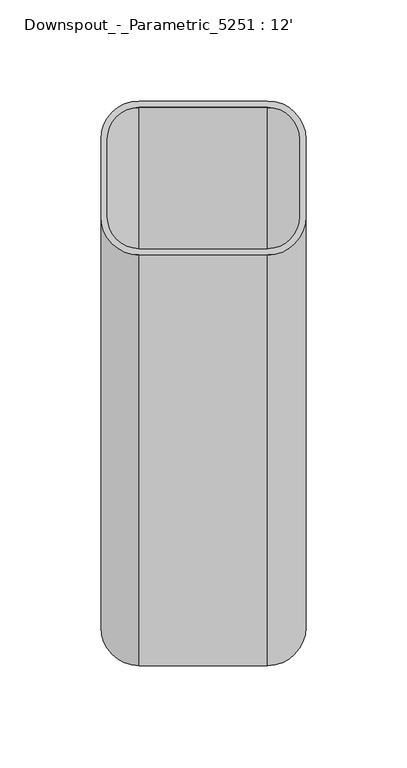
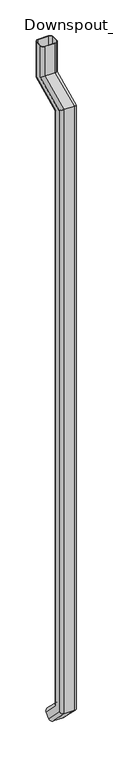
"""IFC4 building model written with IfcOpenShell, lengths in millimetres: proxy geometry, Downspout_-_Parametric_5251 : 12'."""

from ifc_helpers import new_model, si_unit, frame, origin, origin_with_axes, place, context, project, spatial, polyline, circle_curve, ellipse_curve, source, transform, mapped, element, save
from ifc_brep_helpers import plane_surface, cylinder_surface, revolved_surface, advanced_brep


def downspout_parametric_5251_12_2c0caeeb(model_context):
    return source(origin(), model_context, "Body", "AdvancedBrep", [
        advanced_brep(
        [(50.8, -19.05, 0.0), (50.8, 19.05, 0.0), (31.75, 38.1, 0.0), (-31.75, 38.1, 0.0), (-50.8, 19.05, 0.0), (-50.8, -19.05, 0.0), (-31.75, -38.1, 0.0), (31.75, -38.1, 0.0), (47.625, -19.05, 0.0), (31.75, -34.925, 0.0), (-31.75, -34.925, 0.0), (-47.625, -19.05, 0.0), (-47.625, 19.05, 0.0), (-31.75, 34.925, 0.0), (31.75, 34.925, 0.0), (47.625, 19.05, 0.0), (31.75, -38.1, -191.6029427), (50.8, -19.05, -203.7391312), (-31.75, -38.1, -191.6029427), (-50.8, -19.05, -203.7391312), (-50.8, 19.05, -228.0115081), (-50.8, -184.15, -322.7652243), (-50.8, -184.15, -4189.4592316), (-50.8, -81.9665424, -4291.6426893), (-50.8, -108.9073107, -4318.5834576), (-50.8, -222.25, -4205.2407684), (-50.8, -222.25, -298.4928473), (-31.75, 38.1, -240.1476966), (31.75, 38.1, -240.1476966), (50.8, 19.05, -228.0115081), (50.8, -222.25, -298.4928473), (50.8, -222.25, -4205.2407684), (50.8, -108.9073107, -4318.5834576), (50.8, -81.9665424, -4291.6426893), (50.8, -184.15, -4189.4592316), (50.8, -184.15, -322.7652243), (47.625, 19.05, -228.0115081), (47.625, -184.15, -322.7652243), (47.625, -184.15, -4189.4592316), (47.625, -81.9665424, -4291.6426893), (47.625, -108.9073107, -4318.5834576), (47.625, -222.25, -4205.2407684), (47.625, -222.25, -298.4928473), (47.625, -19.05, -203.7391312), (31.75, 34.925, -238.1249985), (-31.75, 34.925, -238.1249985), (-47.625, 19.05, -228.0115081), (-47.625, -19.05, -203.7391312), (-47.625, -222.25, -298.4928473), (-47.625, -222.25, -4205.2407684), (-47.625, -108.9073107, -4318.5834576), (-47.625, -81.9665424, -4291.6426893), (-47.625, -184.15, -4189.4592316), (-47.625, -184.15, -322.7652243), (-31.75, -34.925, -193.6256408), (31.75, -34.925, -193.6256408), (31.75, -241.3, -286.3566588), (-31.75, -241.3, -286.3566588), (-31.75, -165.1, -334.9014127), (31.75, -165.1, -334.9014127), (31.75, -168.275, -332.8787146), (-31.75, -168.275, -332.8787146), (-31.75, -238.125, -288.3793569), (31.75, -238.125, -288.3793569), (31.75, -122.3776949, -4332.0538418), (-31.75, -122.3776949, -4332.0538418), (-31.75, -68.4961582, -4278.1723051), (31.75, -68.4961582, -4278.1723051), (31.75, -70.7412222, -4280.4173691), (-31.75, -70.7412222, -4280.4173691), (-31.75, -120.1326309, -4329.8087778), (31.75, -120.1326309, -4329.8087778), (31.75, -241.3, -4213.1315367), (-31.75, -241.3, -4213.1315367), (-31.75, -165.1, -4181.5684633), (31.75, -165.1, -4181.5684633), (31.75, -168.275, -4182.8835913), (-31.75, -168.275, -4182.8835913), (-31.75, -238.125, -4211.8164087), (31.75, -238.125, -4211.8164087)],
        [
            (0, 1),
            (1, 2, circle_curve(frame((31.75, 19.05, 0.0), z_axis=(0.0, 0.0, 1.0), x_axis=(0.0, -1.0, 0.0)), 19.05)),
            (2, 3),
            (3, 4, circle_curve(frame((-31.75, 19.05, 0.0), z_axis=(0.0, 0.0, 1.0), x_axis=(0.0, -1.0, 0.0)), 19.05)),
            (4, 5),
            (5, 6, circle_curve(frame((-31.75, -19.05, 0.0), z_axis=(0.0, 0.0, 1.0), x_axis=(0.0, -1.0, 0.0)), 19.05)),
            (6, 7),
            (7, 0, circle_curve(frame((31.75, -19.05, 0.0), z_axis=(0.0, 0.0, 1.0), x_axis=(0.0, -1.0, 0.0)), 19.05)),
            (8, 9, circle_curve(frame((31.75, -19.05, 0.0), z_axis=(0.0, 0.0, -1.0), x_axis=(0.0, -1.0, 0.0)), 15.875)),
            (9, 10),
            (10, 11, circle_curve(frame((-31.75, -19.05, 0.0), z_axis=(0.0, 0.0, -1.0), x_axis=(0.0, -1.0, 0.0)), 15.875)),
            (11, 12),
            (12, 13, circle_curve(frame((-31.75, 19.05, 0.0), z_axis=(0.0, 0.0, -1.0), x_axis=(0.0, -1.0, 0.0)), 15.875)),
            (13, 14),
            (14, 15, circle_curve(frame((31.75, 19.05, 0.0), z_axis=(0.0, 0.0, -1.0), x_axis=(0.0, -1.0, 0.0)), 15.875)),
            (15, 8),
            (7, 16),
            (16, 17, ellipse_curve(frame((31.75, -19.05, -203.7391312), z_axis=(0.0, 0.5372996083468213, 0.8433914458128874), x_axis=(0.0, -0.8433914458128875, 0.5372996083468209)), 22.5873764, 19.05)),
            (17, 0),
            (6, 18),
            (18, 16),
            (5, 19),
            (19, 18, ellipse_curve(frame((-31.75, -19.05, -203.7391312), z_axis=(0.0, 0.5372996083468213, 0.8433914458128874), x_axis=(0.0, -0.8433914458128875, 0.5372996083468209)), 22.5873764, 19.05)),
            (4, 20),
            (20, 21),
            (21, 22),
            (22, 23),
            (23, 24),
            (24, 25),
            (25, 26),
            (26, 19),
            (3, 27),
            (27, 20, ellipse_curve(frame((-31.75, 19.05, -228.0115081), z_axis=(0.0, 0.5372996083468213, 0.8433914458128874), x_axis=(0.0, -0.8433914458128875, 0.5372996083468209)), 22.5873764, 19.05)),
            (2, 28),
            (28, 27),
            (1, 29),
            (29, 28, ellipse_curve(frame((31.75, 19.05, -228.0115081), z_axis=(0.0, 0.5372996083468213, 0.8433914458128874), x_axis=(0.0, -0.8433914458128875, 0.5372996083468209)), 22.5873764, 19.05)),
            (17, 30),
            (30, 31),
            (31, 32),
            (32, 33),
            (33, 34),
            (34, 35),
            (35, 29),
            (15, 36),
            (36, 37),
            (37, 38),
            (38, 39),
            (39, 40),
            (40, 41),
            (41, 42),
            (42, 43),
            (43, 8),
            (14, 44),
            (44, 36, ellipse_curve(frame((31.75, 19.05, -228.0115081), z_axis=(0.0, -0.5372996083468213, -0.8433914458128874), x_axis=(0.0, 0.8433914458128875, -0.5372996083468209)), 18.8228136, 15.875)),
            (13, 45),
            (45, 44),
            (12, 46),
            (46, 45, ellipse_curve(frame((-31.75, 19.05, -228.0115081), z_axis=(0.0, -0.5372996083468213, -0.8433914458128874), x_axis=(0.0, 0.8433914458128875, -0.5372996083468209)), 18.8228136, 15.875)),
            (11, 47),
            (47, 48),
            (48, 49),
            (49, 50),
            (50, 51),
            (51, 52),
            (52, 53),
            (53, 46),
            (10, 54),
            (54, 47, ellipse_curve(frame((-31.75, -19.05, -203.7391312), z_axis=(0.0, -0.5372996083468213, -0.8433914458128874), x_axis=(0.0, 0.8433914458128875, -0.5372996083468209)), 18.8228136, 15.875)),
            (9, 55),
            (55, 54),
            (43, 55, ellipse_curve(frame((31.75, -19.05, -203.7391312), z_axis=(0.0, -0.5372996083468213, -0.8433914458128874), x_axis=(0.0, 0.8433914458128875, -0.5372996083468209)), 18.8228136, 15.875)),
            (16, 56),
            (56, 30, ellipse_curve(frame((31.75, -222.25, -298.4928473), z_axis=(0.0, 0.5372996083468236, 0.8433914458128858), x_axis=(0.0, 0.8433914458128858, -0.5372996083468236)), 22.5873764, 19.05)),
            (18, 57),
            (57, 56),
            (26, 57, ellipse_curve(frame((-31.75, -222.25, -298.4928473), z_axis=(0.0, 0.5372996083468236, 0.8433914458128858), x_axis=(0.0, 0.8433914458128858, -0.5372996083468236)), 22.5873764, 19.05)),
            (27, 58),
            (58, 21, ellipse_curve(frame((-31.75, -184.15, -322.7652243), z_axis=(0.0, 0.5372996083468236, 0.8433914458128858), x_axis=(0.0, 0.8433914458128858, -0.5372996083468236)), 22.5873764, 19.05)),
            (28, 59),
            (59, 58),
            (35, 59, ellipse_curve(frame((31.75, -184.15, -322.7652243), z_axis=(0.0, 0.5372996083468236, 0.8433914458128858), x_axis=(0.0, 0.8433914458128858, -0.5372996083468236)), 22.5873764, 19.05)),
            (44, 60),
            (60, 37, ellipse_curve(frame((31.75, -184.15, -322.7652243), z_axis=(0.0, -0.5372996083468236, -0.8433914458128858), x_axis=(0.0, -0.8433914458128858, 0.5372996083468236)), 18.8228136, 15.875)),
            (45, 61),
            (61, 60),
            (53, 61, ellipse_curve(frame((-31.75, -184.15, -322.7652243), z_axis=(0.0, -0.5372996083468236, -0.8433914458128858), x_axis=(0.0, -0.8433914458128858, 0.5372996083468236)), 18.8228136, 15.875)),
            (54, 62),
            (62, 48, ellipse_curve(frame((-31.75, -222.25, -298.4928473), z_axis=(0.0, -0.5372996083468236, -0.8433914458128858), x_axis=(0.0, -0.8433914458128858, 0.5372996083468236)), 18.8228136, 15.875)),
            (55, 63),
            (63, 62),
            (42, 63, ellipse_curve(frame((31.75, -222.25, -298.4928473), z_axis=(0.0, -0.5372996083468236, -0.8433914458128858), x_axis=(0.0, -0.8433914458128858, 0.5372996083468236)), 18.8228136, 15.875)),
            (32, 64, circle_curve(frame((31.75, -108.9073107, -4318.5834576), z_axis=(0.0, 0.7071067811865509, -0.7071067811865441), x_axis=(0.0, -0.7071067811865441, -0.7071067811865509)), 19.05)),
            (64, 65),
            (65, 24, circle_curve(frame((-31.75, -108.9073107, -4318.5834576), z_axis=(0.0, 0.7071067811865509, -0.7071067811865441), x_axis=(0.0, -0.7071067811865441, -0.7071067811865509)), 19.05)),
            (23, 66, circle_curve(frame((-31.75, -81.9665424, -4291.6426893), z_axis=(0.0, 0.7071067811865509, -0.7071067811865441), x_axis=(0.0, -0.7071067811865441, -0.7071067811865509)), 19.05)),
            (66, 67),
            (67, 33, circle_curve(frame((31.75, -81.9665424, -4291.6426893), z_axis=(0.0, 0.7071067811865509, -0.7071067811865441), x_axis=(0.0, -0.7071067811865441, -0.7071067811865509)), 19.05)),
            (39, 68, circle_curve(frame((31.75, -81.9665424, -4291.6426893), z_axis=(0.0, -0.7071067811865509, 0.7071067811865441), x_axis=(0.0, -0.7071067811865441, -0.7071067811865509)), 15.875)),
            (68, 69),
            (69, 51, circle_curve(frame((-31.75, -81.9665424, -4291.6426893), z_axis=(0.0, -0.7071067811865509, 0.7071067811865441), x_axis=(0.0, -0.7071067811865441, -0.7071067811865509)), 15.875)),
            (50, 70, circle_curve(frame((-31.75, -108.9073107, -4318.5834576), z_axis=(0.0, -0.7071067811865509, 0.7071067811865441), x_axis=(0.0, -0.7071067811865441, -0.7071067811865509)), 15.875)),
            (70, 71),
            (71, 40, circle_curve(frame((31.75, -108.9073107, -4318.5834576), z_axis=(0.0, -0.7071067811865509, 0.7071067811865441), x_axis=(0.0, -0.7071067811865441, -0.7071067811865509)), 15.875)),
            (56, 72),
            (72, 31, ellipse_curve(frame((31.75, -222.25, -4205.2407684), z_axis=(0.0, -0.382683432365088, 0.9238795325112874), x_axis=(0.0, 0.9238795325112873, 0.38268343236508856)), 20.6195714, 19.05)),
            (57, 73),
            (73, 72),
            (25, 73, ellipse_curve(frame((-31.75, -222.25, -4205.2407684), z_axis=(0.0, -0.382683432365088, 0.9238795325112874), x_axis=(0.0, 0.9238795325112873, 0.38268343236508856)), 20.6195714, 19.05)),
            (58, 74),
            (74, 22, ellipse_curve(frame((-31.75, -184.15, -4189.4592316), z_axis=(0.0, -0.382683432365088, 0.9238795325112874), x_axis=(0.0, 0.9238795325112873, 0.38268343236508856)), 20.6195714, 19.05)),
            (59, 75),
            (75, 74),
            (34, 75, ellipse_curve(frame((31.75, -184.15, -4189.4592316), z_axis=(0.0, -0.382683432365088, 0.9238795325112874), x_axis=(0.0, 0.9238795325112873, 0.38268343236508856)), 20.6195714, 19.05)),
            (60, 76),
            (76, 38, ellipse_curve(frame((31.75, -184.15, -4189.4592316), z_axis=(0.0, 0.382683432365088, -0.9238795325112874), x_axis=(0.0, -0.9238795325112873, -0.38268343236508856)), 17.1829762, 15.875)),
            (61, 77),
            (77, 76),
            (52, 77, ellipse_curve(frame((-31.75, -184.15, -4189.4592316), z_axis=(0.0, 0.382683432365088, -0.9238795325112874), x_axis=(0.0, -0.9238795325112873, -0.38268343236508856)), 17.1829762, 15.875)),
            (62, 78),
            (78, 49, ellipse_curve(frame((-31.75, -222.25, -4205.2407684), z_axis=(0.0, 0.382683432365088, -0.9238795325112874), x_axis=(0.0, -0.9238795325112873, -0.38268343236508856)), 17.1829762, 15.875)),
            (63, 79),
            (79, 78),
            (41, 79, ellipse_curve(frame((31.75, -222.25, -4205.2407684), z_axis=(0.0, 0.382683432365088, -0.9238795325112874), x_axis=(0.0, -0.9238795325112873, -0.38268343236508856)), 17.1829762, 15.875)),
            (72, 64),
            (73, 65),
            (74, 66),
            (75, 67),
            (76, 68),
            (77, 69),
            (78, 70),
            (79, 71),
        ],
        [
            plane_surface(origin_with_axes()),
            cylinder_surface(frame((31.75, -19.05, 0.0), z_axis=(0.0, 0.0, 1.0), x_axis=(0.0, -1.0, 0.0)), 19.05),
            plane_surface(frame((31.75, -38.1, 0.0), z_axis=(0.0, -1.0, 0.0), x_axis=(0.0, 0.0, -1.0))),
            cylinder_surface(frame((-31.75, -19.05, 0.0), z_axis=(0.0, 0.0, 1.0), x_axis=(0.0, -1.0, 0.0)), 19.05),
            plane_surface(frame((-50.8, -19.05, 0.0), z_axis=(-1.0, 0.0, 0.0), x_axis=(0.0, 0.0, -1.0))),
            cylinder_surface(frame((-31.75, 19.05, 0.0), z_axis=(0.0, 0.0, 1.0), x_axis=(0.0, -1.0, 0.0)), 19.05),
            plane_surface(frame((-31.75, 38.1, 0.0), z_axis=(0.0, 1.0, 0.0), x_axis=(0.0, 0.0, -1.0))),
            cylinder_surface(frame((31.75, 19.05, 0.0), z_axis=(0.0, 0.0, 1.0), x_axis=(0.0, -1.0, 0.0)), 19.05),
            plane_surface(frame((50.8, 19.05, 0.0), z_axis=(1.0, 0.0, 0.0), x_axis=(0.0, 0.0, -1.0))),
            plane_surface(frame((47.625, -19.05, 0.0), z_axis=(-1.0, 0.0, 0.0), x_axis=(0.0, 0.0, -1.0))),
            revolved_surface(polyline([(31.75, 3.1750000000000007, -238.1249985), (31.75, 3.1750000000000007, 0.0)]), (31.75, 19.05, 0.0), (0.0, 0.0, -1.0)),
            plane_surface(frame((31.75, 34.925, 0.0), z_axis=(0.0, -1.0, 0.0), x_axis=(0.0, 0.0, -1.0))),
            revolved_surface(polyline([(-31.75, 3.1750000000000007, -238.1249985), (-31.75, 3.1750000000000007, 0.0)]), (-31.75, 19.05, 0.0), (0.0, 0.0, -1.0)),
            plane_surface(frame((-47.625, 19.05, 0.0), z_axis=(1.0, 0.0, 0.0), x_axis=(0.0, 0.0, -1.0))),
            revolved_surface(polyline([(-31.75, -34.925, -213.8526215752652), (-31.75, -34.925, 0.0)]), (-31.75, -19.05, 0.0), (0.0, 0.0, -1.0)),
            plane_surface(frame((-31.75, -34.925, 0.0), z_axis=(0.0, 1.0, 0.0), x_axis=(0.0, 0.0, -1.0))),
            revolved_surface(polyline([(31.75, -34.925, -213.8526215752652), (31.75, -34.925, 0.0)]), (31.75, -19.05, 0.0), (0.0, 0.0, -1.0)),
            cylinder_surface(frame((31.75, -8.0508779, -198.6101563), z_axis=(0.0, 0.9063077870366462, 0.4226182617407078), x_axis=(0.0, -0.4226182617407078, 0.9063077870366462)), 19.05),
            plane_surface(frame((31.75, -38.1, -191.6029427), z_axis=(0.0, -0.4226182617407079, 0.906307787036646), x_axis=(0.0, -0.906307787036646, -0.4226182617407079))),
            cylinder_surface(frame((-31.75, -8.0508779, -198.6101563), z_axis=(0.0, 0.9063077870366462, 0.4226182617407078), x_axis=(0.0, -0.4226182617407078, 0.9063077870366462)), 19.05),
            cylinder_surface(frame((-31.75, 8.0508779, -233.140483), z_axis=(0.0, 0.9063077870366462, 0.4226182617407078), x_axis=(0.0, -0.4226182617407078, 0.9063077870366462)), 19.05),
            plane_surface(frame((-31.75, 38.1, -240.1476966), z_axis=(0.0, 0.42261826174070777, -0.9063077870366462), x_axis=(0.0, -0.9063077870366462, -0.42261826174070777))),
            cylinder_surface(frame((31.75, 8.0508779, -233.140483), z_axis=(0.0, 0.9063077870366462, 0.4226182617407078), x_axis=(0.0, -0.4226182617407078, 0.9063077870366462)), 19.05),
            revolved_surface(polyline([(31.75, -200.02499999827407, -312.6517338777623), (31.75, 21.506870198199934, -209.3497262797449)]), (31.75, 8.0508779, -233.140483), (0.0, -0.9063077870366462, -0.4226182617407078)),
            plane_surface(frame((31.75, 34.925, -238.1249985), z_axis=(0.0, -0.42261826174070793, 0.906307787036646), x_axis=(0.0, -0.906307787036646, -0.42261826174070793))),
            revolved_surface(polyline([(-31.75, -200.02499999827407, -312.6517338777623), (-31.75, 21.506870198199934, -209.3497262797449)]), (-31.75, 8.0508779, -233.140483), (0.0, -0.9063077870366462, -0.4226182617407078)),
            revolved_surface(polyline([(-31.75, -238.1249999942581, -288.3793569123137), (-31.75, -16.59312983608624, -185.07734933215684)]), (-31.75, -8.0508779, -198.6101563), (0.0, -0.9063077870366462, -0.4226182617407078)),
            plane_surface(frame((-31.75, -34.925, -193.6256408), z_axis=(0.0, 0.422618261740708, -0.906307787036646), x_axis=(0.0, -0.906307787036646, -0.422618261740708))),
            revolved_surface(polyline([(31.75, -238.1249999942581, -288.3793569123137), (31.75, -16.59312983608624, -185.07734933215684)]), (31.75, -8.0508779, -198.6101563), (0.0, -0.9063077870366462, -0.4226182617407078)),
            plane_surface(frame((0.0, -95.4369265, -4305.1130735), z_axis=(0.0, 0.707106781186551, -0.7071067811865442), x_axis=(1.0, 0.0, 0.0))),
            cylinder_surface(frame((31.75, -222.25, -310.6290358), z_axis=(0.0, 0.0, 1.0), x_axis=(0.0, -1.0, 0.0)), 19.05),
            plane_surface(frame((31.75, -241.3, -286.3566588), z_axis=(0.0, -1.0, 0.0), x_axis=(0.0, 0.0, -1.0))),
            cylinder_surface(frame((-31.75, -222.25, -310.6290358), z_axis=(0.0, 0.0, 1.0), x_axis=(0.0, -1.0, 0.0)), 19.05),
            cylinder_surface(frame((-31.75, -184.15, -310.6290358), z_axis=(0.0, 0.0, 1.0), x_axis=(0.0, -1.0, 0.0)), 19.05),
            plane_surface(frame((-31.75, -165.1, -334.9014127), z_axis=(0.0, 1.0, 0.0), x_axis=(0.0, 0.0, -1.0))),
            cylinder_surface(frame((31.75, -184.15, -310.6290358), z_axis=(0.0, 0.0, 1.0), x_axis=(0.0, -1.0, 0.0)), 19.05),
            revolved_surface(polyline([(31.75, -200.025, -4196.034871910463), (31.75, -200.025, -312.65173392473474)]), (31.75, -184.15, -310.6290358), (0.0, 0.0, -1.0)),
            plane_surface(frame((31.75, -168.275, -332.8787146), z_axis=(0.0, -1.0, 0.0), x_axis=(0.0, 0.0, -1.0))),
            revolved_surface(polyline([(-31.75, -200.025, -4196.034871910463), (-31.75, -200.025, -312.65173392473474)]), (-31.75, -184.15, -310.6290358), (0.0, 0.0, -1.0)),
            revolved_surface(polyline([(-31.75, -238.125, -4211.816408710463), (-31.75, -238.125, -288.3793569)]), (-31.75, -222.25, -310.6290358), (0.0, 0.0, -1.0)),
            plane_surface(frame((-31.75, -238.125, -288.3793569), z_axis=(0.0, 1.0, 0.0), x_axis=(0.0, 0.0, -1.0))),
            revolved_surface(polyline([(31.75, -238.125, -4211.816408710463), (31.75, -238.125, -288.3793569)]), (31.75, -222.25, -310.6290358), (0.0, 0.0, -1.0)),
            cylinder_surface(frame((31.75, -216.6703842, -4210.8203842), z_axis=(0.0, -0.7071067811865509, 0.7071067811865441), x_axis=(0.0, -0.7071067811865441, -0.7071067811865509)), 19.05),
            plane_surface(frame((31.75, -241.3, -4213.1315367), z_axis=(0.0, -0.707106781186543, -0.707106781186552), x_axis=(0.0, 0.707106781186552, -0.707106781186543))),
            cylinder_surface(frame((-31.75, -216.6703842, -4210.8203842), z_axis=(0.0, -0.7071067811865509, 0.7071067811865441), x_axis=(0.0, -0.7071067811865441, -0.7071067811865509)), 19.05),
            cylinder_surface(frame((-31.75, -189.7296158, -4183.8796158), z_axis=(0.0, -0.7071067811865509, 0.7071067811865441), x_axis=(0.0, -0.7071067811865441, -0.7071067811865509)), 19.05),
            plane_surface(frame((-31.75, -165.1, -4181.5684633), z_axis=(0.0, 0.7071067811865439, 0.7071067811865511), x_axis=(0.0, 0.7071067811865511, -0.7071067811865439))),
            cylinder_surface(frame((31.75, -189.7296158, -4183.8796158), z_axis=(0.0, -0.7071067811865509, 0.7071067811865441), x_axis=(0.0, -0.7071067811865441, -0.7071067811865509)), 19.05),
            revolved_surface(polyline([(31.75, -93.19186250133575, -4302.868009401336), (31.75, -200.02500000550876, -4196.034871897164)]), (31.75, -189.7296158, -4183.8796158), (0.0, 0.7071067811865509, -0.7071067811865441)),
            plane_surface(frame((31.75, -168.275, -4182.8835913), z_axis=(0.0, -0.7071067811865439, -0.7071067811865511), x_axis=(0.0, 0.7071067811865511, -0.7071067811865439))),
            revolved_surface(polyline([(-31.75, -93.19186250133575, -4302.868009401336), (-31.75, -200.02500000550876, -4196.034871897164)]), (-31.75, -189.7296158, -4183.8796158), (0.0, 0.7071067811865509, -0.7071067811865441)),
            revolved_surface(polyline([(-31.75, -120.13263090133609, -4329.808777801336), (-31.75, -238.1250000055091, -4211.816408697165)]), (-31.75, -216.6703842, -4210.8203842), (0.0, 0.7071067811865509, -0.7071067811865441)),
            plane_surface(frame((-31.75, -238.125, -4211.8164087), z_axis=(0.0, 0.7071067811865435, 0.7071067811865516), x_axis=(0.0, 0.7071067811865516, -0.7071067811865435))),
            revolved_surface(polyline([(31.75, -120.13263090133609, -4329.808777801336), (31.75, -238.1250000055091, -4211.816408697165)]), (31.75, -216.6703842, -4210.8203842), (0.0, 0.7071067811865509, -0.7071067811865441)),
        ],
        [
            (0, [[1, 2, 3, 4, 5, 6, 7, 8], [9, 10, 11, 12, 13, 14, 15, 16]]),
            (1, [[17, 18, 19, -8]]),
            (2, [[20, 21, -17, -7]]),
            (3, [[22, 23, -20, -6]]),
            (4, [[24, 25, 26, 27, 28, 29, 30, 31, -22, -5]]),
            (5, [[32, 33, -24, -4]]),
            (6, [[34, 35, -32, -3]]),
            (7, [[36, 37, -34, -2]]),
            (8, [[-19, 38, 39, 40, 41, 42, 43, 44, -36, -1]]),
            (9, [[45, 46, 47, 48, 49, 50, 51, 52, 53, -16]]),
            (10, [[54, 55, -45, -15]]),
            (11, [[56, 57, -54, -14]]),
            (12, [[58, 59, -56, -13]]),
            (13, [[60, 61, 62, 63, 64, 65, 66, 67, -58, -12]]),
            (14, [[68, 69, -60, -11]]),
            (15, [[70, 71, -68, -10]]),
            (16, [[-53, 72, -70, -9]]),
            (17, [[73, 74, -38, -18]]),
            (18, [[75, 76, -73, -21]]),
            (19, [[-31, 77, -75, -23]]),
            (20, [[78, 79, -25, -33]]),
            (21, [[80, 81, -78, -35]]),
            (22, [[-44, 82, -80, -37]]),
            (23, [[83, 84, -46, -55]]),
            (24, [[85, 86, -83, -57]]),
            (25, [[-67, 87, -85, -59]]),
            (26, [[88, 89, -61, -69]]),
            (27, [[90, 91, -88, -71]]),
            (28, [[-52, 92, -90, -72]]),
            (29, [[93, 94, 95, -28, 96, 97, 98, -41], [-49, 99, 100, 101, -64, 102, 103, 104]]),
            (30, [[105, 106, -39, -74]]),
            (31, [[107, 108, -105, -76]]),
            (32, [[-30, 109, -107, -77]]),
            (33, [[110, 111, -26, -79]]),
            (34, [[112, 113, -110, -81]]),
            (35, [[-43, 114, -112, -82]]),
            (36, [[115, 116, -47, -84]]),
            (37, [[117, 118, -115, -86]]),
            (38, [[-66, 119, -117, -87]]),
            (39, [[120, 121, -62, -89]]),
            (40, [[122, 123, -120, -91]]),
            (41, [[-51, 124, -122, -92]]),
            (42, [[125, -93, -40, -106]]),
            (43, [[126, -94, -125, -108]]),
            (44, [[-29, -95, -126, -109]]),
            (45, [[127, -96, -27, -111]]),
            (46, [[128, -97, -127, -113]]),
            (47, [[-42, -98, -128, -114]]),
            (48, [[129, -99, -48, -116]]),
            (49, [[130, -100, -129, -118]]),
            (50, [[-65, -101, -130, -119]]),
            (51, [[131, -102, -63, -121]]),
            (52, [[132, -103, -131, -123]]),
            (53, [[-50, -104, -132, -124]]),
        ],
    ),
    ])


if __name__ == "__main__":
    model = new_model("IFC4")
    model_context = context("Model", 3, world=origin())
    ifc_project = project(units=[si_unit("LENGTHUNIT", "METRE", prefix="MILLI")], contexts=[model_context])
    site = spatial("IfcSite", under=ifc_project)
    building = spatial("IfcBuilding", under=site)
    placement = place(None, origin())
    downspout_parametric_5251_12_shape = downspout_parametric_5251_12_2c0caeeb(model_context)
    element("IfcBuildingElementProxy", 1, Name="Downspout_-_Parametric_5251 : 12'", ObjectType="Downspout_-_Parametric_5251 : 12'", at=placement, inside=building, context=model_context, shape_type="MappedRepresentation", body=[
        mapped(downspout_parametric_5251_12_shape, transform((0.0, 0.0, 0.0), x_axis=(1.0, 0.0, 0.0), y_axis=(0.0, 1.0, 0.0), z_axis=(0.0, 0.0, 1.0))),
    ])
    save(model, "model.ifc")
